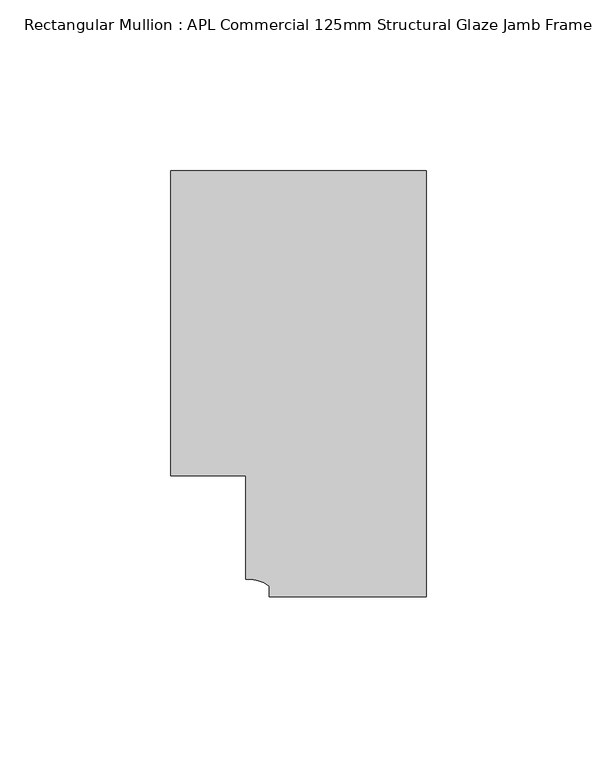
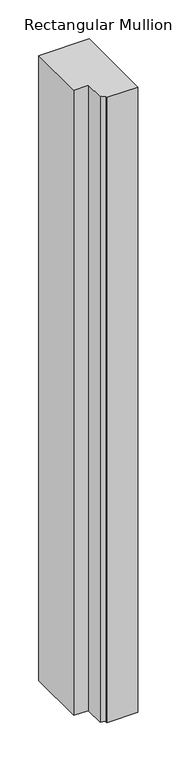
"""IFC4 building model written with IfcOpenShell, lengths in millimetres: member geometry, Rectangular Mullion : APL Commercial 125mm Structural Glaze Jamb Frame (right)."""

from ifc_helpers import new_model, si_unit, point, frame, frame_2d, origin, place, context, project, spatial, polyline, circle_curve, trimmed, segment, composite_curve, outline, extrude, source, transform, mapped, element, save


def rectangular_mullion_apl_commercial_125mm_structural_glaze_4228d09e(model_context):
    return source(origin(), model_context, "Body", "SweptSolid", [
        extrude(outline(composite_curve([segment(polyline([(0.0, -20.5), (-46.0, -20.5), (-46.0, -17.3125212)]), True, "CONTINUOUS"), segment(trimmed(circle_curve(frame_2d((-52.1098019, -25.7981812)), 10.4563907), [point((-46.0, -17.3125212))], [point((-52.9999391, -15.3797475))], True, "CARTESIAN"), True, "CONTINUOUS"), segment(polyline([(-52.9999391, -15.3797475), (-52.9999391, 15.0000829), (-75.0, 15.0000829), (-75.0, 104.5), (0.0, 104.5), (0.0, -20.5)]), True, "CONTINUOUS")], self_intersect=False)), frame((0.0, 0.0, -983.3333313), z_axis=(0.0, 0.0, 1.0), x_axis=(1.0, 0.0, 0.0)), (0.0, 0.0, 1.0), 983.3333313),
    ])


if __name__ == "__main__":
    model = new_model("IFC4")
    model_context = context("Model", 3, world=origin())
    ifc_project = project(units=[si_unit("LENGTHUNIT", "METRE", prefix="MILLI")], contexts=[model_context])
    site = spatial("IfcSite", under=ifc_project)
    building = spatial("IfcBuilding", under=site)
    placement = place(None, origin())
    rectangular_mullion_apl_commercial_125mm_structural_glaze_shape = rectangular_mullion_apl_commercial_125mm_structural_glaze_4228d09e(model_context)
    element("IfcMember", 1, ObjectType="Rectangular Mullion : APL Commercial 125mm Structural Glaze Jamb Frame (right)", at=placement, inside=building, context=model_context, shape_type="MappedRepresentation", body=[
        mapped(rectangular_mullion_apl_commercial_125mm_structural_glaze_shape, transform((0.0, 0.0, 0.0), x_axis=(1.0, 0.0, 0.0), y_axis=(0.0, 1.0, 0.0), z_axis=(0.0, 0.0, 1.0))),
    ])
    save(model, "model.ifc")
